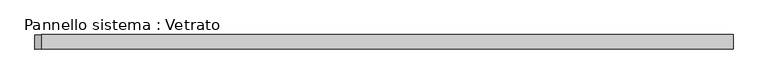
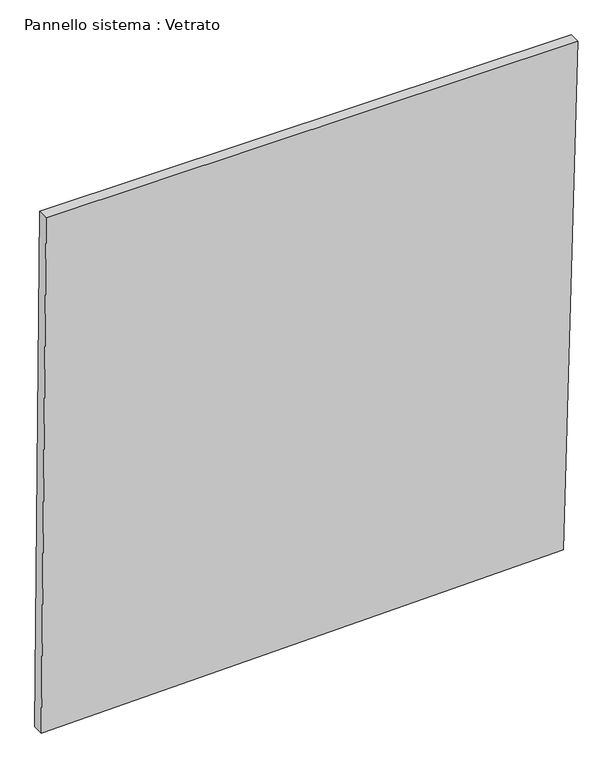
"""IFC4 building model written with IfcOpenShell, lengths in millimetres: plate geometry, Pannello sistema : Vetrato."""

from ifc_helpers import new_model, si_unit, frame, origin, place, context, project, spatial, polyline, outline, extrude, source, transform, mapped, element, save


def pannello_sistema_vetrato_b4dd6175(model_context):
    return source(origin(), model_context, "Body", "SweptSolid", [
        extrude(outline(polyline([(0.0, -721.3460109), (29.8468516, 682.4552106), (1459.815205, 721.3460109), (1459.6310728, -708.7348179), (0.0, -721.3460109)])), frame((0.0, -15.0, 0.0), z_axis=(0.0, 1.0, 0.0), x_axis=(0.0, 0.0, 1.0)), (0.0, 0.0, 1.0), 30.0),
    ])


if __name__ == "__main__":
    model = new_model("IFC4")
    model_context = context("Model", 3, world=origin())
    ifc_project = project(units=[si_unit("LENGTHUNIT", "METRE", prefix="MILLI")], contexts=[model_context])
    site = spatial("IfcSite", under=ifc_project)
    building = spatial("IfcBuilding", under=site)
    placement = place(None, origin())
    pannello_sistema_vetrato_shape = pannello_sistema_vetrato_b4dd6175(model_context)
    element("IfcPlate", 1, ObjectType="Pannello sistema : Vetrato", at=placement, inside=building, context=model_context, shape_type="MappedRepresentation", body=[
        mapped(pannello_sistema_vetrato_shape, transform((0.0, 0.0, 0.0), x_axis=(1.0, 0.0, 0.0), y_axis=(0.0, 1.0, 0.0), z_axis=(0.0, 0.0, 1.0))),
    ])
    save(model, "model.ifc")
